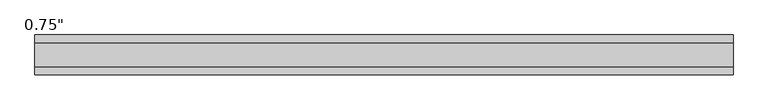
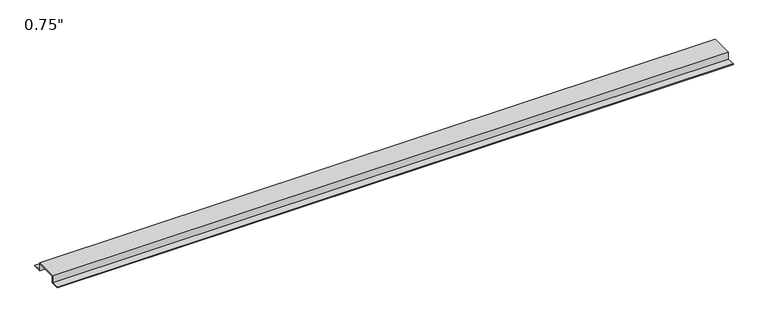
"""IFC4 building model written with IfcOpenShell, lengths in millimetres: proxy geometry."""

from ifc_helpers import new_model, si_unit, frame, origin, place, context, project, spatial, polyline, outline, extrude, source, transform, mapped, element, save


def proxy_7c56e42c(model_context):
    return source(origin(), model_context, "Body", "SweptSolid", [
        extrude(outline(polyline([(-46.0559645, -17.4625), (-46.0559645, -15.8492), (-27.0129, -15.8492), (-27.0129, 1.6129), (27.0129, 1.6129), (27.0129, -15.8492), (46.0559645, -15.8492), (46.0559645, -17.4625), (25.4, -17.4625), (25.4, 0.0), (-25.4, 0.0), (-25.4, -17.4625), (-46.0559645, -17.4625)])), frame((0.0, 0.0, 0.0), z_axis=(1.0, 0.0, 0.0), x_axis=(0.0, 1.0, 0.0)), (0.0, 0.0, 1.0), 1614.8479266),
    ])


if __name__ == "__main__":
    model = new_model("IFC4")
    model_context = context("Model", 3, world=origin())
    ifc_project = project(units=[si_unit("LENGTHUNIT", "METRE", prefix="MILLI")], contexts=[model_context])
    site = spatial("IfcSite", under=ifc_project)
    building = spatial("IfcBuilding", under=site)
    placement = place(None, origin())
    proxy_shape = proxy_7c56e42c(model_context)
    element("IfcBuildingElementProxy", 1, Name="0.75\"", ObjectType="0.75\"", at=placement, inside=building, context=model_context, shape_type="MappedRepresentation", body=[
        mapped(proxy_shape, transform((0.0, 0.0, 0.0), x_axis=(1.0, 0.0, 0.0), y_axis=(0.0, 1.0, 0.0), z_axis=(0.0, 0.0, 1.0))),
    ])
    save(model, "model.ifc")
